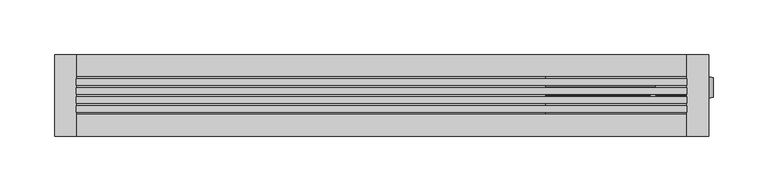
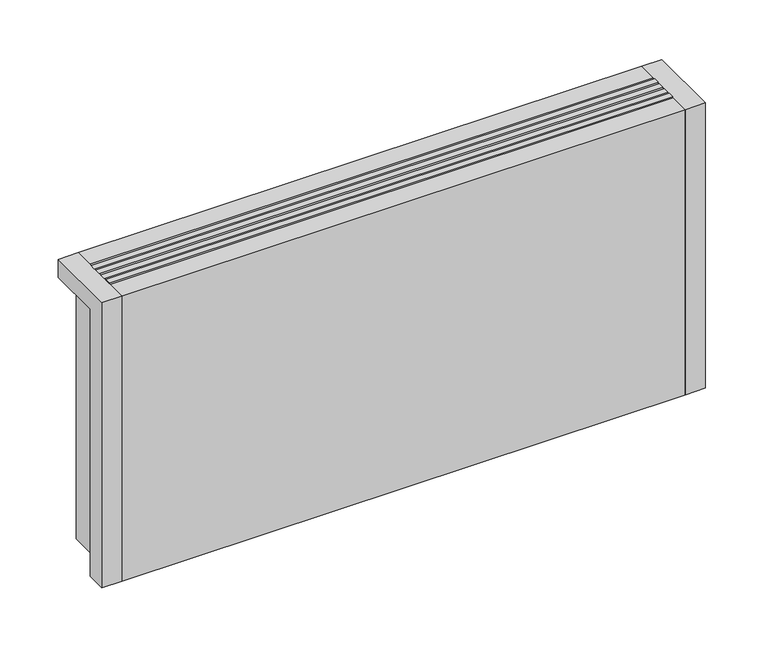
"""IFC4 building model written with IfcOpenShell, lengths in millimetres: proxy geometry."""

from ifc_helpers import new_model, si_unit, point, frame, frame_2d, origin, origin_with_axes, place, context, project, spatial, polyline, circle_curve, ellipse_curve, trimmed, segment, composite_curve, outline, extrude, source, transform, mapped, element, save
from ifc_brep_helpers import plane_surface, cylinder_surface, revolved_surface, advanced_brep


def mechanical_equipment_e4865fce(model_context):
    return source(origin(), model_context, "Body", "SolidModel", [
        advanced_brep(
        [(582.0, 19.8236127, 77.0), (582.0, -4.8236127, 77.0), (582.0, 0.0, 77.0), (582.0, 15.0, 77.0), (604.3972754, -1.4373094, 77.0), (604.3972754, 16.4373094, 77.0), (604.3972754, 7.5, 77.0), (551.5, 15.0, 77.0), (551.5, 0.0, 77.0)],
        [
            (0, 1, circle_curve(frame((582.0, 7.5, 77.0), z_axis=(-1.0, 0.0, 0.0), x_axis=(0.0, 1.0, 0.0)), 12.3236127)),
            (1, 2),
            (2, 3, circle_curve(frame((582.0, 7.5, 77.0), z_axis=(1.0, 0.0, 0.0), x_axis=(0.0, -1.0, 0.0)), 7.5)),
            (3, 0),
            (1, 0, circle_curve(frame((582.0, 7.5, 77.0), z_axis=(-1.0, 0.0, 0.0), x_axis=(0.0, 1.0, 0.0)), 12.3236127)),
            (3, 2, circle_curve(frame((582.0, 7.5, 77.0), z_axis=(1.0, 0.0, 0.0), x_axis=(0.0, -1.0, 0.0)), 7.5)),
            (4, 5, circle_curve(frame((604.3972754, 7.5, 77.0), z_axis=(1.0, 0.0, 0.0), x_axis=(0.0, 1.0, 0.0)), 8.9373094)),
            (5, 6),
            (6, 4),
            (5, 4, circle_curve(frame((604.3972754, 7.5, 77.0), z_axis=(1.0, 0.0, 0.0), x_axis=(0.0, 1.0, 0.0)), 8.9373094)),
            (7, 8, circle_curve(frame((551.5, 7.5, 77.0), z_axis=(-1.0, 0.0, 0.0), x_axis=(0.0, -1.0, 0.0)), 7.5)),
            (8, 7, circle_curve(frame((551.5, 7.5, 77.0), z_axis=(-1.0, 0.0, 0.0), x_axis=(0.0, -1.0, 0.0)), 7.5)),
            (8, 2),
            (3, 7),
            (0, 5, circle_curve(frame((582.930269, -49.7853335, 77.0), z_axis=(0.0, 0.0, -1.0), x_axis=(1.0, 0.0, 0.0)), 69.6151621)),
            (4, 1, circle_curve(frame((582.930269, 64.7853335, 77.0), z_axis=(0.0, 0.0, -1.0), x_axis=(1.0, 0.0, 0.0)), 69.6151621)),
        ],
        [
            plane_surface(frame((582.0, 7.5, 77.0), z_axis=(-1.0, 0.0, 0.0), x_axis=(0.0, 1.0, 0.0))),
            plane_surface(frame((604.3972754, 7.5, 77.0), z_axis=(1.0, 0.0, 0.0), x_axis=(0.0, 1.0, 0.0))),
            plane_surface(frame((551.5, 0.0, 77.0), z_axis=(-1.0, 0.0, 0.0), x_axis=(0.0, 0.0, 1.0))),
            cylinder_surface(frame((551.5, 7.5, 77.0), z_axis=(1.0, 0.0, 0.0), x_axis=(0.0, -1.0, 0.0)), 7.5),
            revolved_surface(trimmed(ellipse_curve(frame((582.930269, -49.7853335, 77.0), z_axis=(0.0, 0.0, 1.0), x_axis=(1.0, 0.0, 0.0)), 69.6151621, 69.6151621), [point((604.3972754, 16.4373094, 77.0))], [point((582.0, 19.8236127, 77.0))], True, "CARTESIAN"), (610.1181216, 7.5, 77.0), (-1.0, 0.0, 0.0)),
        ],
        [
            (0, [[1, 2, 3, 4]]),
            (0, [[5, -4, 6, -2]]),
            (1, [[7, 8, 9]]),
            (1, [[-8, 10, -9]]),
            (2, [[11, 12]]),
            (3, [[-12, 13, -6, 14]]),
            (3, [[-11, -14, -3, -13]]),
            (4, [[-1, 15, -7, 16]]),
            (4, [[-5, -16, -10, -15]]),
        ],
    ),
        advanced_brep(
        [(450.0, 7.5, 19.5), (450.0, 7.5, 34.5), (486.5, 7.5, 19.5), (501.5, 7.5, 34.5), (486.5, 7.5, 0.0), (501.5, 7.5, 0.0)],
        [
            (0, 1, circle_curve(frame((450.0, 7.5, 27.0), z_axis=(-1.0, 0.0, 0.0), x_axis=(0.0, 0.0, 1.0)), 7.5)),
            (1, 0, circle_curve(frame((450.0, 7.5, 27.0), z_axis=(-1.0, 0.0, 0.0), x_axis=(0.0, 0.0, 1.0)), 7.5)),
            (0, 2),
            (2, 3, ellipse_curve(frame((494.0, 7.5, 27.0), z_axis=(-0.7071067811865471, 0.0, 0.707106781186548), x_axis=(-0.7071067811865478, 0.0, -0.7071067811865471)), 10.6066017, 7.5)),
            (3, 1),
            (3, 2, ellipse_curve(frame((494.0, 7.5, 27.0), z_axis=(-0.7071067811865471, 0.0, 0.707106781186548), x_axis=(-0.7071067811865478, 0.0, -0.7071067811865471)), 10.6066017, 7.5)),
            (4, 5, circle_curve(frame((494.0, 7.5, 0.0), z_axis=(0.0, 0.0, -1.0), x_axis=(1.0, 0.0, 0.0)), 7.5)),
            (5, 4, circle_curve(frame((494.0, 7.5, 0.0), z_axis=(0.0, 0.0, -1.0), x_axis=(1.0, 0.0, 0.0)), 7.5)),
            (2, 4),
            (5, 3),
        ],
        [
            plane_surface(frame((450.0, 7.5, 27.0), z_axis=(-1.0, 0.0, 0.0), x_axis=(0.0, -1.0, 0.0))),
            cylinder_surface(frame((450.0, 7.5, 27.0), z_axis=(-1.0, 0.0, 0.0), x_axis=(0.0, 0.0, 1.0)), 7.5),
            plane_surface(frame((494.0, 7.5, 0.0), z_axis=(0.0, 0.0, -1.0), x_axis=(0.0, -1.0, 0.0))),
            cylinder_surface(frame((494.0, 7.5, 27.0), z_axis=(0.0, 0.0, 1.0), x_axis=(1.0, 0.0, 0.0)), 7.5),
        ],
        [
            (0, [[1, 2]]),
            (1, [[-1, 3, 4, 5]]),
            (1, [[-2, -5, 6, -3]]),
            (2, [[7, 8]]),
            (3, [[-4, 9, -8, 10]]),
            (3, [[-6, -10, -7, -9]]),
        ],
    ),
        advanced_brep(
        [(450.0, 7.5, 69.5), (450.0, 7.5, 84.5), (536.5, 7.5, 69.5), (551.5, 7.5, 84.5), (536.5, 7.5, 0.0), (551.5, 7.5, 0.0)],
        [
            (0, 1, circle_curve(frame((450.0, 7.5, 77.0), z_axis=(-1.0, 0.0, 0.0), x_axis=(0.0, 0.0, 1.0)), 7.5)),
            (1, 0, circle_curve(frame((450.0, 7.5, 77.0), z_axis=(-1.0, 0.0, 0.0), x_axis=(0.0, 0.0, 1.0)), 7.5)),
            (0, 2),
            (2, 3, ellipse_curve(frame((544.0, 7.5, 77.0), z_axis=(-0.7071067811865469, 0.0, 0.7071067811865481), x_axis=(-0.7071067811865481, 0.0, -0.7071067811865469)), 10.6066017, 7.5)),
            (3, 1),
            (3, 2, ellipse_curve(frame((544.0, 7.5, 77.0), z_axis=(-0.7071067811865469, 0.0, 0.7071067811865481), x_axis=(-0.7071067811865481, 0.0, -0.7071067811865469)), 10.6066017, 7.5)),
            (4, 5, circle_curve(frame((544.0, 7.5, 0.0), z_axis=(0.0, 0.0, -1.0), x_axis=(1.0, 0.0, 0.0)), 7.5)),
            (5, 4, circle_curve(frame((544.0, 7.5, 0.0), z_axis=(0.0, 0.0, -1.0), x_axis=(1.0, 0.0, 0.0)), 7.5)),
            (2, 4),
            (5, 3),
        ],
        [
            plane_surface(frame((450.0, 7.5, 77.0), z_axis=(-1.0, 0.0, 0.0), x_axis=(0.0, -1.0, 0.0))),
            cylinder_surface(frame((450.0, 7.5, 77.0), z_axis=(-1.0, 0.0, 0.0), x_axis=(0.0, 0.0, 1.0)), 7.5),
            plane_surface(frame((544.0, 7.5, 0.0), z_axis=(0.0, 0.0, -1.0), x_axis=(0.0, -1.0, 0.0))),
            cylinder_surface(frame((544.0, 7.5, 77.0), z_axis=(0.0, 0.0, 1.0), x_axis=(1.0, 0.0, 0.0)), 7.5),
        ],
        [
            (0, [[1, 2]]),
            (1, [[-1, 3, 4, 5]]),
            (1, [[-2, -5, 6, -3]]),
            (2, [[7, 8]]),
            (3, [[-4, 9, -8, 10]]),
            (3, [[-6, -10, -7, -9]]),
        ],
    ),
        extrude(outline(polyline([(20.0, -1.1666667), (580.0, -1.1666667), (580.0, -7.1666667), (20.0, -7.1666667), (20.0, -1.1666667)])), frame((0.0, 0.0, 282.0), z_axis=(0.0, 0.0, 1.0), x_axis=(1.0, 0.0, 0.0)), (0.0, 0.0, 1.0), 18.0),
        extrude(outline(polyline([(20.0, 7.1666667), (580.0, 7.1666667), (580.0, 1.1666667), (20.0, 1.1666667), (20.0, 7.1666667)])), frame((0.0, 0.0, 282.0), z_axis=(0.0, 0.0, 1.0), x_axis=(1.0, 0.0, 0.0)), (0.0, 0.0, 1.0), 18.0),
        extrude(outline(polyline([(20.0, -9.5), (580.0, -9.5), (580.0, -15.5), (20.0, -15.5), (20.0, -9.5)])), frame((0.0, 0.0, 282.0), z_axis=(0.0, 0.0, 1.0), x_axis=(1.0, 0.0, 0.0)), (0.0, 0.0, 1.0), 18.0),
        extrude(outline(polyline([(20.0, 15.5), (580.0, 15.5), (580.0, 9.5), (20.0, 9.5), (20.0, 15.5)])), frame((0.0, 0.0, 282.0), z_axis=(0.0, 0.0, 1.0), x_axis=(1.0, 0.0, 0.0)), (0.0, 0.0, 1.0), 18.0),
        extrude(outline(polyline([(580.0, 17.5), (20.0, 17.5), (20.0, 37.5), (580.0, 37.5), (580.0, 17.5)])), origin_with_axes(), (0.0, 0.0, 1.0), 281.0),
        advanced_brep(
        [(580.0, -37.5, 300.0), (600.0, -37.5, 300.0), (600.0, 37.5, 300.0), (580.0, 37.5, 300.0), (20.0, 37.5, 300.0), (0.0, 37.5, 300.0), (0.0, -37.5, 300.0), (20.0, -37.5, 300.0), (20.0, -37.5, 0.0), (0.0, -37.5, 0.0), (0.0, -17.5, 0.0), (18.0, -17.5, 0.0), (18.0, 37.5, 0.0), (20.0, 37.5, 0.0), (20.0, 17.5, 0.0), (580.0, 17.5, 0.0), (580.0, 37.5, 0.0), (582.0, 37.5, 0.0), (582.0, -17.5, 0.0), (600.0, -17.5, 0.0), (600.0, -37.5, 0.0), (580.0, -37.5, 0.0), (580.0, -17.5, 0.0), (20.0, -17.5, 0.0), (486.5, 7.5, 0.0), (501.5, 7.5, 0.0), (536.5, 7.5, 0.0), (551.5, 7.5, 0.0), (20.0, -17.5, 281.0), (20.0, 17.5, 281.0), (580.0, -17.5, 20.0), (450.0, -17.5, 20.0), (450.0, -17.5, 281.0), (580.0, 17.5, 20.0), (580.0, 14.6414284, 20.0), (580.0, 17.5, 27.0), (580.0, -2.5, 27.0), (580.0, 0.3585716, 20.0), (580.0, -2.5, 77.0), (580.0, 17.5, 77.0), (600.0, -17.5, 281.0), (600.0, 37.5, 281.0), (582.0, 37.5, 281.0), (450.0, 17.5, 281.0), (450.0, 17.5, 20.0), (18.0, 37.5, 281.0), (0.0, 37.5, 281.0), (0.0, -17.5, 281.0), (501.5, 7.5, 20.0), (486.5, 7.5, 20.0), (551.5, 7.5, 20.0), (536.5, 7.5, 20.0), (582.0, -17.5, 281.0), (582.0, 17.5, 27.0), (582.0, -2.5, 27.0), (582.0, 17.5, 77.0), (582.0, -2.5, 77.0), (18.0, -17.5, 281.0)],
        [
            (0, 1),
            (1, 2),
            (2, 3),
            (3, 0),
            (4, 5),
            (5, 6),
            (6, 7),
            (7, 4),
            (8, 9),
            (9, 10),
            (10, 11),
            (11, 12),
            (12, 13),
            (13, 14),
            (14, 15),
            (15, 16),
            (16, 17),
            (17, 18),
            (18, 19),
            (19, 20),
            (20, 21),
            (21, 22),
            (22, 23),
            (23, 8),
            (24, 25, circle_curve(frame((494.0, 7.5, 0.0), z_axis=(0.0, 0.0, 1.0), x_axis=(1.0, 0.0, 0.0)), 7.5)),
            (25, 24, circle_curve(frame((494.0, 7.5, 0.0), z_axis=(0.0, 0.0, 1.0), x_axis=(1.0, 0.0, 0.0)), 7.5)),
            (26, 27, circle_curve(frame((544.0, 7.5, 0.0), z_axis=(0.0, 0.0, 1.0), x_axis=(1.0, 0.0, 0.0)), 7.5)),
            (27, 26, circle_curve(frame((544.0, 7.5, 0.0), z_axis=(0.0, 0.0, 1.0), x_axis=(1.0, 0.0, 0.0)), 7.5)),
            (13, 4),
            (7, 8),
            (23, 28),
            (28, 29),
            (29, 14),
            (22, 30),
            (30, 31),
            (31, 32),
            (32, 28),
            (15, 33),
            (33, 34),
            (34, 35, circle_curve(frame((580.0, 7.5, 27.0), z_axis=(1.0, 0.0, 0.0), x_axis=(0.0, 1.0, 0.0)), 10.0)),
            (35, 36, circle_curve(frame((580.0, 7.5, 27.0), z_axis=(1.0, 0.0, 0.0), x_axis=(0.0, 1.0, 0.0)), 10.0)),
            (36, 37, circle_curve(frame((580.0, 7.5, 27.0), z_axis=(1.0, 0.0, 0.0), x_axis=(0.0, 1.0, 0.0)), 10.0)),
            (37, 30),
            (21, 0),
            (3, 16),
            (38, 39, circle_curve(frame((580.0, 7.5, 77.0), z_axis=(1.0, 0.0, 0.0), x_axis=(0.0, 1.0, 0.0)), 10.0)),
            (39, 38, circle_curve(frame((580.0, 7.5, 77.0), z_axis=(1.0, 0.0, 0.0), x_axis=(0.0, 1.0, 0.0)), 10.0)),
            (20, 1),
            (19, 40),
            (40, 41),
            (41, 2),
            (41, 42),
            (42, 17),
            (29, 43),
            (43, 44),
            (44, 33),
            (12, 45),
            (45, 46),
            (46, 5),
            (46, 47),
            (47, 10),
            (9, 6),
            (32, 43),
            (44, 31),
            (37, 34),
            (48, 49, circle_curve(frame((494.0, 7.5, 20.0), z_axis=(0.0, 0.0, -1.0), x_axis=(1.0, 0.0, 0.0)), 7.5)),
            (49, 48, circle_curve(frame((494.0, 7.5, 20.0), z_axis=(0.0, 0.0, -1.0), x_axis=(1.0, 0.0, 0.0)), 7.5)),
            (50, 51, circle_curve(frame((544.0, 7.5, 20.0), z_axis=(0.0, 0.0, -1.0), x_axis=(1.0, 0.0, 0.0)), 7.5)),
            (51, 50, circle_curve(frame((544.0, 7.5, 20.0), z_axis=(0.0, 0.0, -1.0), x_axis=(1.0, 0.0, 0.0)), 7.5)),
            (40, 52),
            (52, 42),
            (52, 18),
            (53, 54, circle_curve(frame((582.0, 7.5, 27.0), z_axis=(-1.0, 0.0, 0.0), x_axis=(0.0, 1.0, 0.0)), 10.0)),
            (54, 53, circle_curve(frame((582.0, 7.5, 27.0), z_axis=(-1.0, 0.0, 0.0), x_axis=(0.0, 1.0, 0.0)), 10.0)),
            (55, 56, circle_curve(frame((582.0, 7.5, 77.0), z_axis=(-1.0, 0.0, 0.0), x_axis=(0.0, 1.0, 0.0)), 10.0)),
            (56, 55, circle_curve(frame((582.0, 7.5, 77.0), z_axis=(-1.0, 0.0, 0.0), x_axis=(0.0, 1.0, 0.0)), 10.0)),
            (45, 57),
            (57, 47),
            (11, 57),
            (37, 34, circle_curve(frame((580.0, 7.5, 27.0), z_axis=(1.0, 0.0, 0.0), x_axis=(0.0, 1.0, 0.0)), 10.0)),
            (36, 54),
            (53, 35),
            (38, 56),
            (55, 39),
            (48, 25),
            (24, 49),
            (50, 27),
            (26, 51),
        ],
        [
            plane_surface(frame((20.0, -37.5, 300.0), z_axis=(0.0, 0.0, 1.0), x_axis=(0.0, 1.0, 0.0))),
            plane_surface(frame((20.0, -37.5, 0.0), z_axis=(0.0, 0.0, -1.0), x_axis=(0.0, -1.0, 0.0))),
            plane_surface(frame((20.0, -37.5, 300.0), z_axis=(1.0, 0.0, 0.0), x_axis=(0.0, 0.0, -1.0))),
            plane_surface(frame((20.0, -17.5, 300.0), z_axis=(0.0, -1.0, 0.0), x_axis=(0.0, 0.0, -1.0))),
            plane_surface(frame((580.0, -17.5, 300.0), z_axis=(-1.0, 0.0, 0.0), x_axis=(0.0, 0.0, -1.0))),
            plane_surface(frame((580.0, -37.5, 300.0), z_axis=(0.0, -1.0, 0.0), x_axis=(0.0, 0.0, -1.0))),
            plane_surface(frame((600.0, -37.5, 300.0), z_axis=(1.0, 0.0, 0.0), x_axis=(0.0, 0.0, -1.0))),
            plane_surface(frame((600.0, 37.5, 300.0), z_axis=(0.0, 1.0, 0.0), x_axis=(0.0, 0.0, -1.0))),
            plane_surface(frame((580.0, 17.5, 300.0), z_axis=(0.0, 1.0, 0.0), x_axis=(0.0, 0.0, -1.0))),
            plane_surface(frame((20.0, 37.5, 300.0), z_axis=(0.0, 1.0, 0.0), x_axis=(0.0, 0.0, -1.0))),
            plane_surface(frame((0.0, 37.5, 300.0), z_axis=(-1.0, 0.0, 0.0), x_axis=(0.0, 0.0, -1.0))),
            plane_surface(frame((0.0, -37.5, 300.0), z_axis=(0.0, -1.0, 0.0), x_axis=(0.0, 0.0, -1.0))),
            plane_surface(frame((20.0, 17.5, 281.0), z_axis=(0.0, 0.0, 1.0), x_axis=(1.0, 0.0, 0.0))),
            plane_surface(frame((450.0, 17.5, 20.0), z_axis=(0.0, 0.0, 1.0), x_axis=(0.0, 1.0, 0.0))),
            plane_surface(frame((450.0, 17.5, 300.0), z_axis=(1.0, 0.0, 0.0), x_axis=(0.0, 0.0, -1.0))),
            plane_surface(frame((582.0, 37.5, 281.0), z_axis=(0.0, 0.0, -1.0), x_axis=(0.0, -1.0, 0.0))),
            plane_surface(frame((582.0, 37.5, 281.0), z_axis=(1.0, 0.0, 0.0), x_axis=(0.0, 0.0, -1.0))),
            plane_surface(frame((582.0, -17.5, 281.0), z_axis=(0.0, 1.0, 0.0), x_axis=(0.0, 0.0, -1.0))),
            plane_surface(frame((0.0, 37.5, 281.0), z_axis=(0.0, 0.0, -1.0), x_axis=(-1.0, 0.0, 0.0))),
            plane_surface(frame((18.0, -17.5, 281.0), z_axis=(-1.0, 0.0, 0.0), x_axis=(0.0, 0.0, -1.0))),
            plane_surface(frame((0.0, -17.5, 281.0), z_axis=(0.0, 1.0, 0.0), x_axis=(0.0, 0.0, -1.0))),
            plane_surface(frame((580.0, 17.5, 27.0), z_axis=(1.0, 0.0, 0.0), x_axis=(0.0, 0.0, -1.0))),
            revolved_surface(polyline([(582.0, 17.5, 27.0), (580.0, 17.5, 27.0)]), (580.0, 7.5, 27.0), (1.0, 0.0, 0.0)),
            revolved_surface(polyline([(582.0, 17.5, 77.0), (580.0, 17.5, 77.0)]), (0.0, 7.5, 77.0), (1.0, 0.0, 0.0)),
            revolved_surface(polyline([(501.5, 7.5, 20.0), (501.5, 7.5, 0.0)]), (494.0, 7.5, 0.0), (0.0, 0.0, 1.0)),
            revolved_surface(polyline([(551.5, 7.5, 20.0), (551.5, 7.5, 0.0)]), (544.0, 7.5, 0.0), (0.0, 0.0, 1.0)),
        ],
        [
            (0, [[1, 2, 3, 4]]),
            (0, [[5, 6, 7, 8]]),
            (1, [[9, 10, 11, 12, 13, 14, 15, 16, 17, 18, 19, 20, 21, 22, 23, 24], [25, 26], [27, 28]]),
            (2, [[-14, 29, -8, 30, -24, 31, 32, 33]]),
            (3, [[-23, 34, 35, 36, 37, -31]]),
            (4, [[-16, 38, 39, 40, 41, 42, 43, -34, -22, 44, -4, 45], [46, 47]]),
            (5, [[-1, -44, -21, 48]]),
            (6, [[-2, -48, -20, 49, 50, 51]]),
            (7, [[-3, -51, 52, 53, -17, -45]]),
            (8, [[-15, -33, 54, 55, 56, -38]]),
            (9, [[-5, -29, -13, 57, 58, 59]]),
            (10, [[-6, -59, 60, 61, -10, 62]]),
            (11, [[-7, -62, -9, -30]]),
            (12, [[-32, -37, 63, -54]]),
            (13, [[64, -35, -43, 65, -39, -56], [66, 67], [68, 69]]),
            (14, [[-64, -55, -63, -36]]),
            (15, [[70, 71, -52, -50]]),
            (16, [[-71, 72, -18, -53], [73, 74], [75, 76]]),
            (17, [[-70, -49, -19, -72]]),
            (18, [[77, 78, -60, -58]]),
            (19, [[-77, -57, -12, 79]]),
            (20, [[-78, -79, -11, -61]]),
            (21, [[80, -65]]),
            (22, [[-80, -42, 81, -73, 82, -40]]),
            (22, [[-81, -41, -82, -74]]),
            (23, [[83, -75, 84, -46]]),
            (23, [[-83, -47, -84, -76]]),
            (24, [[85, -25, 86, -66]]),
            (24, [[-85, -67, -86, -26]]),
            (25, [[87, -27, 88, -68]]),
            (25, [[-87, -69, -88, -28]]),
        ],
    ),
        extrude(outline(polyline([(580.0, 17.5), (20.0, 17.5), (20.0, 37.5), (580.0, 37.5), (580.0, 17.5)])), frame((0.0, 0.0, 281.0), z_axis=(0.0, 0.0, 1.0), x_axis=(1.0, 0.0, 0.0)), (0.0, 0.0, 1.0), 19.0),
        extrude(outline(polyline([(580.0, -37.5), (20.0, -37.5), (20.0, -17.5), (580.0, -17.5), (580.0, -37.5)])), origin_with_axes(), (0.0, 0.0, 1.0), 300.0),
        extrude(outline(composite_curve([segment(trimmed(circle_curve(frame_2d((7.5, 77.0)), 10.0), [point((-2.5, 77.0))], [point((17.5, 77.0))], False, "CARTESIAN"), True, "CONTINUOUS"), segment(trimmed(circle_curve(frame_2d((7.5, 77.0)), 10.0), [point((17.5, 77.0))], [point((-2.5, 77.0))], False, "CARTESIAN"), True, "CONTINUOUS")], self_intersect=False)), frame((580.0, 0.0, 0.0), z_axis=(1.0, 0.0, 0.0), x_axis=(0.0, 1.0, 0.0)), (0.0, 0.0, 1.0), 2.0),
        extrude(outline(composite_curve([segment(trimmed(circle_curve(frame_2d((7.5, 27.0)), 10.0), [point((-2.5, 27.0))], [point((17.5, 27.0))], False, "CARTESIAN"), True, "CONTINUOUS"), segment(trimmed(circle_curve(frame_2d((7.5, 27.0)), 10.0), [point((17.5, 27.0))], [point((-2.5, 27.0))], False, "CARTESIAN"), True, "CONTINUOUS")], self_intersect=False)), frame((580.0, 0.0, 0.0), z_axis=(1.0, 0.0, 0.0), x_axis=(0.0, 1.0, 0.0)), (0.0, 0.0, 1.0), 2.0),
    ])


if __name__ == "__main__":
    model = new_model("IFC4")
    model_context = context("Model", 3, world=origin())
    ifc_project = project(units=[si_unit("LENGTHUNIT", "METRE", prefix="MILLI")], contexts=[model_context])
    site = spatial("IfcSite", under=ifc_project)
    building = spatial("IfcBuilding", under=site)
    placement = place(None, origin())
    mechanical_equipment_shape = mechanical_equipment_e4865fce(model_context)
    element("IfcBuildingElementProxy", 1, Name="Mechanical Equipment", at=placement, inside=building, context=model_context, shape_type="MappedRepresentation", body=[
        mapped(mechanical_equipment_shape, transform((0.0, 0.0, 0.0), x_axis=(1.0, 0.0, 0.0), y_axis=(0.0, 1.0, 0.0), z_axis=(0.0, 0.0, 1.0))),
    ])
    save(model, "model.ifc")
